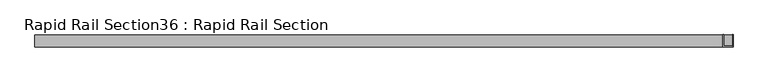
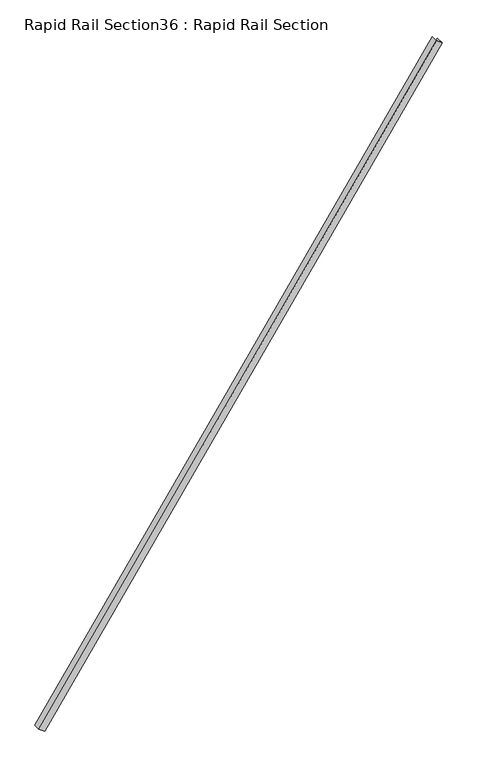
"""IFC4 building model written with IfcOpenShell, lengths in millimetres: beam geometry, Rapid Rail Section36 : Rapid Rail Section."""

from ifc_helpers import new_model, si_unit, frame, origin, place, context, project, spatial, polyline, outline, extrude, source, transform, mapped, element, save


def rapid_rail_section36_rapid_rail_section_905ace82(model_context):
    return source(origin(), model_context, "Body", "SweptSolid", [
        extrude(outline(polyline([(0.0, 0.0), (0.0, -30.0), (-3.0, -30.0), (-3.0, -2.690297), (-27.0, -2.690297), (-27.0, -30.0), (-30.0, -30.0), (-30.0, 0.0), (0.0, 0.0)])), frame((19607.7402537, 51660.8109253, 52198.0721825), z_axis=(0.5591929034707466, 0.0, 0.829037572555042), x_axis=(-0.829037572555042, 0.0, 0.5591929034707466)), (0.0, 0.0, 1.0), 3013.4822326),
    ])


if __name__ == "__main__":
    model = new_model("IFC4")
    model_context = context("Model", 3, world=origin())
    ifc_project = project(units=[si_unit("LENGTHUNIT", "METRE", prefix="MILLI")], contexts=[model_context])
    site = spatial("IfcSite", under=ifc_project)
    building = spatial("IfcBuilding", under=site)
    placement = place(None, origin())
    rapid_rail_section36_rapid_rail_section_shape = rapid_rail_section36_rapid_rail_section_905ace82(model_context)
    element("IfcBeam", 1, ObjectType="Rapid Rail Section36 : Rapid Rail Section", at=placement, inside=building, context=model_context, shape_type="MappedRepresentation", body=[
        mapped(rapid_rail_section36_rapid_rail_section_shape, transform((0.0, 0.0, 0.0), x_axis=(1.0, 0.0, 0.0), y_axis=(0.0, 1.0, 0.0), z_axis=(0.0, 0.0, 1.0))),
    ])
    save(model, "model.ifc")
